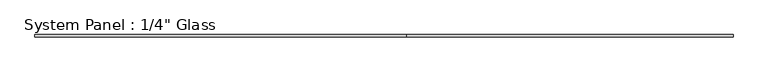
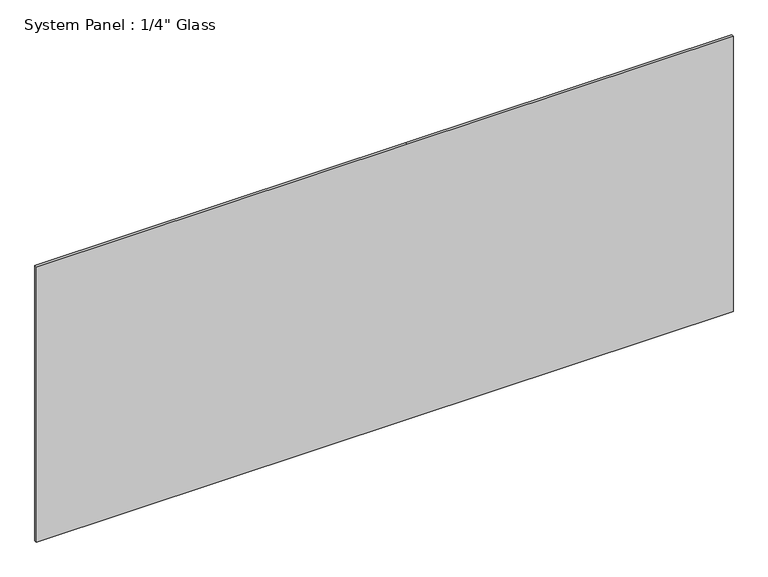
"""IFC4 building model written with IfcOpenShell, lengths in millimetres: plate geometry."""

import ifcopenshell
import ifcopenshell.guid

model = None  # the IFC model being written
_history = None  # IfcOwnerHistory: only IFC2X3 demands one
_inside = {}  # id of a spatial element -> (the spatial element, [elements in it])
_under = {}  # id of a project, library or spatial element -> (it, [spatial elements below it])
_declared = {}  # id of a project -> (the project, [libraries it declares])
_typed = {}  # id of a type object -> (the type object, [elements of that type])
_made_of = {}  # id of a material, layer set ... -> (it, [elements and type objects made of it])


def new_model(schema):
    """Start an empty IFC model of exactly this schema.

    Asked for "IFC4X3", IfcOpenShell would pick the latest addendum, in which some entities
    have other attributes; the version numbers below select the first issue.
    IFC2X3 requires an IfcOwnerHistory on every rooted entity: one is made here for all.
    """
    global model, _history
    if schema == "IFC4X3":
        model = ifcopenshell.file(schema_version=(4, 3, 0, 0))
    else:
        model = ifcopenshell.file(schema=schema)
    _inside.clear()
    _under.clear()
    _declared.clear()
    _typed.clear()
    _made_of.clear()
    _history = None
    if model.schema == "IFC2X3":
        org = make("IfcOrganization", Name="unknown")
        user = make(
            "IfcPersonAndOrganization",
            ThePerson=make("IfcPerson", FamilyName="unknown"),
            TheOrganization=org,
        )
        app = make(
            "IfcApplication",
            ApplicationDeveloper=org,
            Version="unknown",
            ApplicationFullName="unknown",
            ApplicationIdentifier="unknown",
        )
        _history = make(
            "IfcOwnerHistory",
            OwningUser=user,
            OwningApplication=app,
            ChangeAction="ADDED",
            CreationDate=0,
        )
    return model


def make(cls, **values):
    """One entity of the class cls with the attributes given. An attribute that is None is left unset."""
    return model.create_entity(
        cls, **{name: value for name, value in values.items() if value is not None}
    )


def rooted(cls, **values):
    """An entity with a GlobalId (a new one), such as an element, a storey or a relation."""
    return make(cls, GlobalId=ifcopenshell.guid.new(), OwnerHistory=_history, **values)


def si_unit(unit_type, name, prefix=None):
    """IfcSIUnit, for example si_unit("LENGTHUNIT", "METRE", prefix="MILLI")."""
    return make("IfcSIUnit", UnitType=unit_type, Prefix=prefix, Name=name)


def assignment(units):
    """IfcUnitAssignment: the units of a project."""
    return None if units is None else make("IfcUnitAssignment", Units=units)


def point(xyz):
    """IfcCartesianPoint."""
    return None if xyz is None else make("IfcCartesianPoint", Coordinates=xyz)


def direction(xyz):
    """IfcDirection."""
    return None if xyz is None else make("IfcDirection", DirectionRatios=xyz)


def frame(location, z_axis=None, x_axis=None):
    """IfcAxis2Placement3D, a coordinate frame: its origin and axes. An axis left out is left unset."""
    return make(
        "IfcAxis2Placement3D",
        Location=point(location),
        Axis=direction(z_axis),
        RefDirection=direction(x_axis),
    )


def origin():
    """The frame at (0, 0, 0) with its axes left unset."""
    return frame((0.0, 0.0, 0.0))


def place(relative_to, where):
    """IfcLocalPlacement: puts the frame where relative to a parent placement (None: the world)."""
    return make(
        "IfcLocalPlacement", PlacementRelTo=relative_to, RelativePlacement=where
    )


def context(
    kind, dimensions, precision=None, world=None, true_north=None, identifier=None
):
    """IfcGeometricRepresentationContext, for example the 3D "Model" context."""
    return make(
        "IfcGeometricRepresentationContext",
        ContextIdentifier=identifier,
        ContextType=kind,
        CoordinateSpaceDimension=dimensions,
        Precision=precision,
        WorldCoordinateSystem=world,
        TrueNorth=true_north,
    )


def project(units=None, contexts=None):
    """IfcProject with its units and contexts."""
    return rooted(
        "IfcProject",
        Name="project",
        RepresentationContexts=contexts,
        UnitsInContext=assignment(units),
    )


def spatial(cls, under=None, at=None, **own):
    """A site, building, storey or space (cls), placed at a placement, below another one or the project."""
    s = rooted(cls, ObjectPlacement=at, **own)
    if under is not None:
        _under.setdefault(under.id(), (under, []))[1].append(s)
    return s


def polyline(points):
    """IfcPolyline through the points."""
    return make("IfcPolyline", Points=[point(p) for p in points])


def outline(outer, holes=None, kind="AREA"):
    """IfcArbitraryClosedProfileDef: a profile drawn as a closed curve; with holes, ...WithVoids."""
    if holes is None:
        return make("IfcArbitraryClosedProfileDef", ProfileType=kind, OuterCurve=outer)
    return make(
        "IfcArbitraryProfileDefWithVoids",
        ProfileType=kind,
        OuterCurve=outer,
        InnerCurves=holes,
    )


def extrude(swept, where, along, depth):
    """IfcExtrudedAreaSolid: the profile swept, set in the frame where, extruded along a direction by depth."""
    return make(
        "IfcExtrudedAreaSolid",
        SweptArea=swept,
        Position=where,
        ExtrudedDirection=direction(along),
        Depth=depth,
    )


def shape(context_of_items, identifier, shape_type, items):
    """IfcShapeRepresentation: the items that make up one representation, for example the "Body"."""
    return make(
        "IfcShapeRepresentation",
        ContextOfItems=context_of_items,
        RepresentationIdentifier=identifier,
        RepresentationType=shape_type,
        Items=items,
    )


def source(mapping_origin, context_of_items, identifier, shape_type, items):
    """IfcRepresentationMap: a shape defined once, which mapped items show again and again."""
    return make(
        "IfcRepresentationMap",
        MappingOrigin=mapping_origin,
        MappedRepresentation=shape(context_of_items, identifier, shape_type, items),
    )


def transform(
    local_origin,
    x_axis=None,
    y_axis=None,
    z_axis=None,
    scale=None,
    scale2=None,
    scale3=None,
    uniform=True,
):
    """IfcCartesianTransformationOperator3D, or its non-uniform kind. x_axis, y_axis, z_axis: its Axis1, 2, 3."""
    if uniform:
        return make(
            "IfcCartesianTransformationOperator3D",
            Axis1=direction(x_axis),
            Axis2=direction(y_axis),
            LocalOrigin=point(local_origin),
            Scale=scale,
            Axis3=direction(z_axis),
        )
    return make(
        "IfcCartesianTransformationOperator3DnonUniform",
        Axis1=direction(x_axis),
        Axis2=direction(y_axis),
        LocalOrigin=point(local_origin),
        Scale=scale,
        Axis3=direction(z_axis),
        Scale2=scale2,
        Scale3=scale3,
    )


def mapped(mapping_source, mapping_target):
    """IfcMappedItem: shows the shape of a source again, moved by a transform."""
    return make(
        "IfcMappedItem", MappingSource=mapping_source, MappingTarget=mapping_target
    )


def made_of(thing, what):
    """Note that an element or type object is made of a material, layer set ...; save() writes the relation."""
    if what is not None:
        _made_of.setdefault(what.id(), (what, []))[1].append(thing)
    return thing


def element(
    cls,
    number,
    at=None,
    inside=None,
    cuts=None,
    type_object=None,
    material=None,
    context=None,
    identifier="Body",
    shape_type=None,
    held_by="IfcProductDefinitionShape",
    body=None,
    shapes=None,
    **own,
):
    """One element of the class cls, such as IfcWall. Its Tag is "e" and its number.

    at: its placement. inside: the storey or other place that contains it. cuts: it is an
    opening in that element (IfcRelVoidsElement). A single representation is given by context,
    identifier, shape_type and body (its items); several are given by shapes. held_by: the class
    of the entity that holds the representations. save() writes the other relations.
    """
    e = rooted(cls, Tag="e%d" % number, ObjectPlacement=at, **own)
    if body is not None:
        shapes = [shape(context, identifier, shape_type, body)]
    if shapes is not None:
        e.Representation = make(held_by, Representations=shapes)
    if inside is not None:
        _inside.setdefault(inside.id(), (inside, []))[1].append(e)
    if cuts is not None:
        rooted(
            "IfcRelVoidsElement", RelatingBuildingElement=cuts, RelatedOpeningElement=e
        )
    if type_object is not None:
        _typed.setdefault(type_object.id(), (type_object, []))[1].append(e)
    return made_of(e, material)


def aggregate(whole, parts):
    """IfcRelAggregates: a whole, such as a stair, and the parts it consists of."""
    return rooted("IfcRelAggregates", RelatingObject=whole, RelatedObjects=parts)


def save(model, path):
    """Write the relations noted so far, then the file.

    IfcRelAggregates (storeys below a building ...), IfcRelContainedInSpatialStructure (elements
    in a storey), IfcRelDefinesByType, IfcRelAssociatesMaterial and IfcRelDeclares: one each for
    every whole, place, type object, material and project.
    """
    for whole, parts in _under.values():
        aggregate(whole, parts)
    for where, things in _inside.values():
        rooted(
            "IfcRelContainedInSpatialStructure",
            RelatedElements=things,
            RelatingStructure=where,
        )
    for kind, things in _typed.values():
        rooted("IfcRelDefinesByType", RelatedObjects=things, RelatingType=kind)
    for what, things in _made_of.values():
        rooted("IfcRelAssociatesMaterial", RelatedObjects=things, RelatingMaterial=what)
    for by, libraries in _declared.values():
        rooted("IfcRelDeclares", RelatingContext=by, RelatedDefinitions=libraries)
    model.write(path)


def plate_c2b73bc3(model_context):
    return source(origin(), model_context, "Body", "SweptSolid", [
        extrude(outline(polyline([(0.0, -930.275), (0.0, 60.325), (0.0, 930.275), (777.875, 930.275), (777.875, 60.325), (777.875, -930.275), (0.0, -930.275)])), frame((0.0, -3.175, 0.0), z_axis=(0.0, 1.0, 0.0), x_axis=(0.0, 0.0, 1.0)), (0.0, 0.0, 1.0), 6.35),
    ])


if __name__ == "__main__":
    model = new_model("IFC4")
    model_context = context("Model", 3, world=origin())
    ifc_project = project(units=[si_unit("LENGTHUNIT", "METRE", prefix="MILLI")], contexts=[model_context])
    site = spatial("IfcSite", under=ifc_project)
    building = spatial("IfcBuilding", under=site)
    placement = place(None, origin())
    plate_shape = plate_c2b73bc3(model_context)
    element("IfcPlate", 1, ObjectType="System Panel : 1/4\" Glass", at=placement, inside=building, context=model_context, shape_type="MappedRepresentation", body=[
        mapped(plate_shape, transform((0.0, 0.0, 0.0), x_axis=(1.0, 0.0, 0.0), y_axis=(0.0, 1.0, 0.0), z_axis=(0.0, 0.0, 1.0))),
    ])
    save(model, "model.ifc")
